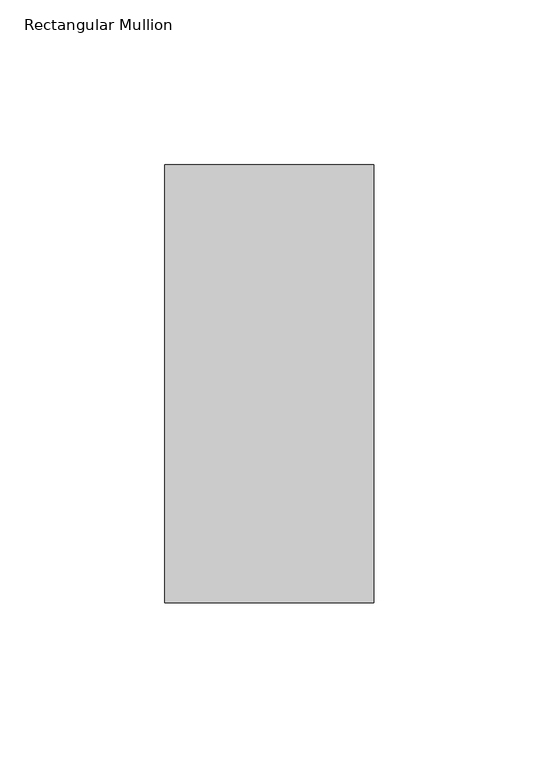
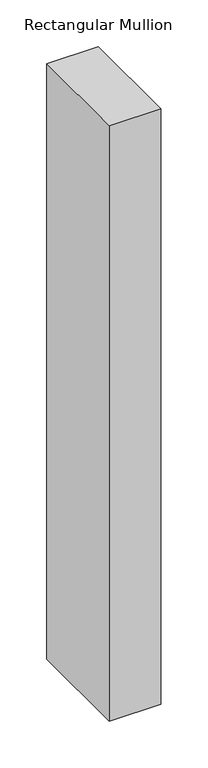
"""IFC4 building model written with IfcOpenShell, lengths in millimetres: member geometry, Rectangular Mullion."""

from ifc_helpers import new_model, si_unit, frame, origin, place, context, project, spatial, polyline, outline, extrude, source, transform, mapped, element, save


def rectangular_mullion_c9526bea(model_context):
    return source(origin(), model_context, "Body", "SweptSolid", [
        extrude(outline(polyline([(31.75, 190.5896938), (31.75, 57.6460937), (-31.75, 57.6460937), (-31.75, 190.5896938), (31.75, 190.5896938)])), frame((0.0, 0.0, -774.7), z_axis=(0.0, 0.0, 1.0), x_axis=(1.0, 0.0, 0.0)), (0.0, 0.0, 1.0), 774.7),
    ])


if __name__ == "__main__":
    model = new_model("IFC4")
    model_context = context("Model", 3, world=origin())
    ifc_project = project(units=[si_unit("LENGTHUNIT", "METRE", prefix="MILLI")], contexts=[model_context])
    site = spatial("IfcSite", under=ifc_project)
    building = spatial("IfcBuilding", under=site)
    placement = place(None, origin())
    rectangular_mullion_shape = rectangular_mullion_c9526bea(model_context)
    element("IfcMember", 1, ObjectType="Rectangular Mullion", at=placement, inside=building, context=model_context, shape_type="MappedRepresentation", body=[
        mapped(rectangular_mullion_shape, transform((0.0, 0.0, 0.0), x_axis=(1.0, 0.0, 0.0), y_axis=(0.0, 1.0, 0.0), z_axis=(0.0, 0.0, 1.0))),
    ])
    save(model, "model.ifc")
